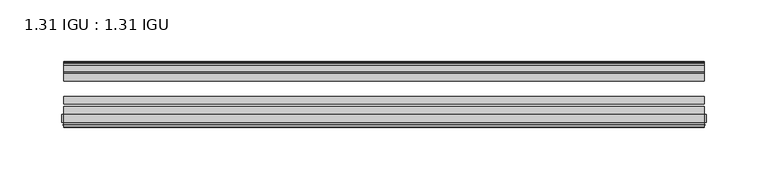
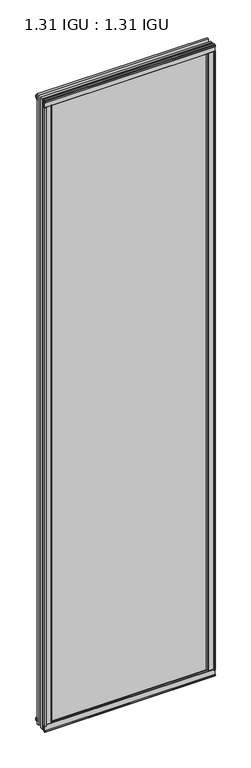
"""IFC4 building model written with IfcOpenShell, lengths in millimetres: plate geometry, 1.31 IGU : 1.31 IGU."""

import ifcopenshell
import ifcopenshell.guid

model = None  # the IFC model being written
_history = None  # IfcOwnerHistory: only IFC2X3 demands one
_inside = {}  # id of a spatial element -> (the spatial element, [elements in it])
_under = {}  # id of a project, library or spatial element -> (it, [spatial elements below it])
_declared = {}  # id of a project -> (the project, [libraries it declares])
_typed = {}  # id of a type object -> (the type object, [elements of that type])
_made_of = {}  # id of a material, layer set ... -> (it, [elements and type objects made of it])


def new_model(schema):
    """Start an empty IFC model of exactly this schema.

    Asked for "IFC4X3", IfcOpenShell would pick the latest addendum, in which some entities
    have other attributes; the version numbers below select the first issue.
    IFC2X3 requires an IfcOwnerHistory on every rooted entity: one is made here for all.
    """
    global model, _history
    if schema == "IFC4X3":
        model = ifcopenshell.file(schema_version=(4, 3, 0, 0))
    else:
        model = ifcopenshell.file(schema=schema)
    _inside.clear()
    _under.clear()
    _declared.clear()
    _typed.clear()
    _made_of.clear()
    _history = None
    if model.schema == "IFC2X3":
        org = make("IfcOrganization", Name="unknown")
        user = make(
            "IfcPersonAndOrganization",
            ThePerson=make("IfcPerson", FamilyName="unknown"),
            TheOrganization=org,
        )
        app = make(
            "IfcApplication",
            ApplicationDeveloper=org,
            Version="unknown",
            ApplicationFullName="unknown",
            ApplicationIdentifier="unknown",
        )
        _history = make(
            "IfcOwnerHistory",
            OwningUser=user,
            OwningApplication=app,
            ChangeAction="ADDED",
            CreationDate=0,
        )
    return model


def make(cls, **values):
    """One entity of the class cls with the attributes given. An attribute that is None is left unset."""
    return model.create_entity(
        cls, **{name: value for name, value in values.items() if value is not None}
    )


def rooted(cls, **values):
    """An entity with a GlobalId (a new one), such as an element, a storey or a relation."""
    return make(cls, GlobalId=ifcopenshell.guid.new(), OwnerHistory=_history, **values)


def si_unit(unit_type, name, prefix=None):
    """IfcSIUnit, for example si_unit("LENGTHUNIT", "METRE", prefix="MILLI")."""
    return make("IfcSIUnit", UnitType=unit_type, Prefix=prefix, Name=name)


def assignment(units):
    """IfcUnitAssignment: the units of a project."""
    return None if units is None else make("IfcUnitAssignment", Units=units)


def point(xyz):
    """IfcCartesianPoint."""
    return None if xyz is None else make("IfcCartesianPoint", Coordinates=xyz)


def direction(xyz):
    """IfcDirection."""
    return None if xyz is None else make("IfcDirection", DirectionRatios=xyz)


def frame(location, z_axis=None, x_axis=None):
    """IfcAxis2Placement3D, a coordinate frame: its origin and axes. An axis left out is left unset."""
    return make(
        "IfcAxis2Placement3D",
        Location=point(location),
        Axis=direction(z_axis),
        RefDirection=direction(x_axis),
    )


def frame_2d(location, x_axis=None):
    """IfcAxis2Placement2D, a coordinate frame in the plane: its origin and x axis."""
    return make(
        "IfcAxis2Placement2D", Location=point(location), RefDirection=direction(x_axis)
    )


def origin():
    """The frame at (0, 0, 0) with its axes left unset."""
    return frame((0.0, 0.0, 0.0))


def origin_with_axes():
    """The frame at (0, 0, 0) with the z axis (0, 0, 1) and the x axis (1, 0, 0) written out."""
    return frame((0.0, 0.0, 0.0), z_axis=(0.0, 0.0, 1.0), x_axis=(1.0, 0.0, 0.0))


def place(relative_to, where):
    """IfcLocalPlacement: puts the frame where relative to a parent placement (None: the world)."""
    return make(
        "IfcLocalPlacement", PlacementRelTo=relative_to, RelativePlacement=where
    )


def context(
    kind, dimensions, precision=None, world=None, true_north=None, identifier=None
):
    """IfcGeometricRepresentationContext, for example the 3D "Model" context."""
    return make(
        "IfcGeometricRepresentationContext",
        ContextIdentifier=identifier,
        ContextType=kind,
        CoordinateSpaceDimension=dimensions,
        Precision=precision,
        WorldCoordinateSystem=world,
        TrueNorth=true_north,
    )


def project(units=None, contexts=None):
    """IfcProject with its units and contexts."""
    return rooted(
        "IfcProject",
        Name="project",
        RepresentationContexts=contexts,
        UnitsInContext=assignment(units),
    )


def spatial(cls, under=None, at=None, **own):
    """A site, building, storey or space (cls), placed at a placement, below another one or the project."""
    s = rooted(cls, ObjectPlacement=at, **own)
    if under is not None:
        _under.setdefault(under.id(), (under, []))[1].append(s)
    return s


def polyline(points):
    """IfcPolyline through the points."""
    return make("IfcPolyline", Points=[point(p) for p in points])


def circle_curve(where, radius):
    """IfcCircle in the frame where."""
    return make("IfcCircle", Position=where, Radius=radius)


def trimmed(basis, trim1, trim2, sense, master):
    """IfcTrimmedCurve: the piece of a basis curve between two trims."""
    return make(
        "IfcTrimmedCurve",
        BasisCurve=basis,
        Trim1=trim1,
        Trim2=trim2,
        SenseAgreement=sense,
        MasterRepresentation=master,
    )


def segment(curve, same_sense, transition):
    """IfcCompositeCurveSegment."""
    return make(
        "IfcCompositeCurveSegment",
        Transition=transition,
        SameSense=same_sense,
        ParentCurve=curve,
    )


def composite_curve(segments, self_intersect=None):
    """IfcCompositeCurve: segments joined end to end."""
    return make("IfcCompositeCurve", Segments=segments, SelfIntersect=self_intersect)


def outline(outer, holes=None, kind="AREA"):
    """IfcArbitraryClosedProfileDef: a profile drawn as a closed curve; with holes, ...WithVoids."""
    if holes is None:
        return make("IfcArbitraryClosedProfileDef", ProfileType=kind, OuterCurve=outer)
    return make(
        "IfcArbitraryProfileDefWithVoids",
        ProfileType=kind,
        OuterCurve=outer,
        InnerCurves=holes,
    )


def extrude(swept, where, along, depth):
    """IfcExtrudedAreaSolid: the profile swept, set in the frame where, extruded along a direction by depth."""
    return make(
        "IfcExtrudedAreaSolid",
        SweptArea=swept,
        Position=where,
        ExtrudedDirection=direction(along),
        Depth=depth,
    )


def shape(context_of_items, identifier, shape_type, items):
    """IfcShapeRepresentation: the items that make up one representation, for example the "Body"."""
    return make(
        "IfcShapeRepresentation",
        ContextOfItems=context_of_items,
        RepresentationIdentifier=identifier,
        RepresentationType=shape_type,
        Items=items,
    )


def source(mapping_origin, context_of_items, identifier, shape_type, items):
    """IfcRepresentationMap: a shape defined once, which mapped items show again and again."""
    return make(
        "IfcRepresentationMap",
        MappingOrigin=mapping_origin,
        MappedRepresentation=shape(context_of_items, identifier, shape_type, items),
    )


def transform(
    local_origin,
    x_axis=None,
    y_axis=None,
    z_axis=None,
    scale=None,
    scale2=None,
    scale3=None,
    uniform=True,
):
    """IfcCartesianTransformationOperator3D, or its non-uniform kind. x_axis, y_axis, z_axis: its Axis1, 2, 3."""
    if uniform:
        return make(
            "IfcCartesianTransformationOperator3D",
            Axis1=direction(x_axis),
            Axis2=direction(y_axis),
            LocalOrigin=point(local_origin),
            Scale=scale,
            Axis3=direction(z_axis),
        )
    return make(
        "IfcCartesianTransformationOperator3DnonUniform",
        Axis1=direction(x_axis),
        Axis2=direction(y_axis),
        LocalOrigin=point(local_origin),
        Scale=scale,
        Axis3=direction(z_axis),
        Scale2=scale2,
        Scale3=scale3,
    )


def mapped(mapping_source, mapping_target):
    """IfcMappedItem: shows the shape of a source again, moved by a transform."""
    return make(
        "IfcMappedItem", MappingSource=mapping_source, MappingTarget=mapping_target
    )


def made_of(thing, what):
    """Note that an element or type object is made of a material, layer set ...; save() writes the relation."""
    if what is not None:
        _made_of.setdefault(what.id(), (what, []))[1].append(thing)
    return thing


def element(
    cls,
    number,
    at=None,
    inside=None,
    cuts=None,
    type_object=None,
    material=None,
    context=None,
    identifier="Body",
    shape_type=None,
    held_by="IfcProductDefinitionShape",
    body=None,
    shapes=None,
    **own,
):
    """One element of the class cls, such as IfcWall. Its Tag is "e" and its number.

    at: its placement. inside: the storey or other place that contains it. cuts: it is an
    opening in that element (IfcRelVoidsElement). A single representation is given by context,
    identifier, shape_type and body (its items); several are given by shapes. held_by: the class
    of the entity that holds the representations. save() writes the other relations.
    """
    e = rooted(cls, Tag="e%d" % number, ObjectPlacement=at, **own)
    if body is not None:
        shapes = [shape(context, identifier, shape_type, body)]
    if shapes is not None:
        e.Representation = make(held_by, Representations=shapes)
    if inside is not None:
        _inside.setdefault(inside.id(), (inside, []))[1].append(e)
    if cuts is not None:
        rooted(
            "IfcRelVoidsElement", RelatingBuildingElement=cuts, RelatedOpeningElement=e
        )
    if type_object is not None:
        _typed.setdefault(type_object.id(), (type_object, []))[1].append(e)
    return made_of(e, material)


def aggregate(whole, parts):
    """IfcRelAggregates: a whole, such as a stair, and the parts it consists of."""
    return rooted("IfcRelAggregates", RelatingObject=whole, RelatedObjects=parts)


def save(model, path):
    """Write the relations noted so far, then the file.

    IfcRelAggregates (storeys below a building ...), IfcRelContainedInSpatialStructure (elements
    in a storey), IfcRelDefinesByType, IfcRelAssociatesMaterial and IfcRelDeclares: one each for
    every whole, place, type object, material and project.
    """
    for whole, parts in _under.values():
        aggregate(whole, parts)
    for where, things in _inside.values():
        rooted(
            "IfcRelContainedInSpatialStructure",
            RelatedElements=things,
            RelatingStructure=where,
        )
    for kind, things in _typed.values():
        rooted("IfcRelDefinesByType", RelatedObjects=things, RelatingType=kind)
    for what, things in _made_of.values():
        rooted("IfcRelAssociatesMaterial", RelatedObjects=things, RelatingMaterial=what)
    for by, libraries in _declared.values():
        rooted("IfcRelDeclares", RelatingContext=by, RelatedDefinitions=libraries)
    model.write(path)


def plate_1_31_igu_1_31_igu_8b938880(model_context):
    return source(origin(), model_context, "Body", "SweptSolid", [
        extrude(outline(polyline([(247.1273568, -11.1943457), (245.7253235, -11.5700195), (245.4952333, -10.7113114), (247.9082333, -10.06475), (250.3212333, -10.7113114), (250.0911432, -11.5700195), (248.6891098, -11.1943457), (249.3052333, -13.49375), (252.9838074, -13.49375), (252.9838074, -18.1284104), (251.5551628, -19.84375), (239.8424921, -19.84375), (241.5582333, -13.49375), (246.5112333, -13.49375), (247.1273568, -11.1943457)])), origin_with_axes(), (0.0, 0.0, 1.0), 1993.9),
        extrude(outline(polyline([(-247.1273568, -11.1943457), (-246.5112333, -13.49375), (-241.5582333, -13.49375), (-239.8424921, -19.84375), (-251.5551628, -19.84375), (-252.9838074, -18.1284104), (-252.9838074, -13.49375), (-249.3052333, -13.49375), (-248.6891098, -11.1943457), (-250.0911432, -11.5700195), (-250.3212333, -10.7113114), (-247.9082333, -10.06475), (-245.4952333, -10.7113114), (-245.7253235, -11.5700195), (-247.1273568, -11.1943457)])), origin_with_axes(), (0.0, 0.0, 1.0), 1993.9),
        extrude(outline(polyline([(-13.49375, -5.7276998), (-11.1943457, -6.3438233), (-11.5700195, -4.9417899), (-10.7113114, -4.7116998), (-10.06475, -7.1246998), (-10.7113114, -9.5376998), (-11.5700195, -9.3076097), (-11.1943457, -7.9055763), (-13.49375, -8.5216998), (-13.49375, -12.2002739), (-18.1284104, -12.2002739), (-19.84375, -10.7716292), (-19.84375, 0.9410414), (-13.49375, -0.7746998), (-13.49375, -5.7276998)])), frame((-259.8208333, 0.0, 0.0), z_axis=(1.0, 0.0, 0.0), x_axis=(0.0, 1.0, 0.0)), (0.0, 0.0, 1.0), 519.6416667),
        extrude(outline(composite_curve([segment(polyline([(-55.9719113, 2.457708), (-53.16855, 3.0868452), (-53.16855, -20.9097918), (-59.51855, -20.9097918), (-59.51855, -18.6868471), (-62.0391488, -18.0752025), (-61.5965021, -19.0933159), (-61.5965021, -19.98942), (-63.2729251, -17.4063265), (-61.3290281, -15.2058028), (-61.3290281, -16.0360741), (-61.9417436, -16.9618553), (-59.51855, -16.8077164), (-59.51855, 0.6826418)]), True, "CONTINUOUS"), segment(trimmed(circle_curve(frame_2d((-58.24855, 0.6826418)), 1.27), [point((-59.51855, 0.6826418))], [point((-58.6007815, 1.9028193))], False, "CARTESIAN"), True, "CONTINUOUS"), segment(polyline([(-58.6007815, 1.9028193), (-55.9719113, 2.457708)]), True, "CONTINUOUS")], self_intersect=False)), frame((-259.8208333, 0.0, 0.0), z_axis=(1.0, 0.0, 0.0), x_axis=(0.0, 1.0, 0.0)), (0.0, 0.0, 1.0), 519.6416667),
        extrude(outline(polyline([(-13.49375, 1999.6276998), (-13.49375, 1994.6746998), (-19.84375, 1992.9589586), (-19.84375, 2004.6716292), (-18.1284104, 2006.1002739), (-13.49375, 2006.1002739), (-13.49375, 2002.4216998), (-11.1943457, 2001.8055763), (-11.5700195, 2003.2076097), (-10.7113114, 2003.4376998), (-10.06475, 2001.0246998), (-10.7113114, 1998.6116998), (-11.5700195, 1998.8417899), (-11.1943457, 2000.2438233), (-13.49375, 1999.6276998)])), frame((-259.8208333, 0.0, 0.0), z_axis=(1.0, 0.0, 0.0), x_axis=(0.0, 1.0, 0.0)), (0.0, 0.0, 1.0), 519.6416667),
        extrude(outline(composite_curve([segment(polyline([(-55.9719113, 1991.442292), (-58.6007815, 1991.9971807)]), True, "CONTINUOUS"), segment(trimmed(circle_curve(frame_2d((-58.24855, 1993.2173582)), 1.27), [point((-58.6007815, 1991.9971807))], [point((-59.51855, 1993.2173582))], False, "CARTESIAN"), True, "CONTINUOUS"), segment(polyline([(-59.51855, 1993.2173582), (-59.51855, 2010.7077164), (-61.9417436, 2010.8618553), (-61.3290281, 2009.9360741), (-61.3290281, 2009.1058028), (-63.2729251, 2011.3063265), (-61.5965021, 2013.88942), (-61.5965021, 2012.9933159), (-62.0391488, 2011.9752025), (-59.51855, 2012.5868471), (-59.51855, 2014.8097918), (-53.16855, 2014.8097918), (-53.16855, 1990.8131548), (-55.9719113, 1991.442292)]), True, "CONTINUOUS")], self_intersect=False)), frame((-259.8208333, 0.0, 0.0), z_axis=(1.0, 0.0, 0.0), x_axis=(0.0, 1.0, 0.0)), (0.0, 0.0, 1.0), 519.6416667),
        extrude(outline(composite_curve([segment(polyline([(-258.18986, -63.2729251), (-260.7729535, -61.5965021), (-259.8768494, -61.5965021), (-258.858736, -62.0391488), (-259.4703806, -59.51855), (-261.6933253, -59.51855), (-261.6933253, -53.16855), (-237.6966884, -53.16855), (-238.3258256, -55.9719113), (-238.8807143, -58.6007815)]), True, "CONTINUOUS"), segment(trimmed(circle_curve(frame_2d((-240.1008917, -58.24855)), 1.27), [point((-238.8807143, -58.6007815))], [point((-240.1008917, -59.51855))], False, "CARTESIAN"), True, "CONTINUOUS"), segment(polyline([(-240.1008917, -59.51855), (-257.59125, -59.51855), (-257.7453888, -61.9417436), (-256.8196076, -61.3290281), (-256.0080796, -61.3290281), (-258.18986, -63.2729251)]), True, "CONTINUOUS")], self_intersect=False)), origin_with_axes(), (0.0, 0.0, 1.0), 1993.9),
        extrude(outline(composite_curve([segment(polyline([(258.18986, -63.2729251), (256.0080796, -61.3290281), (256.8196076, -61.3290281), (257.7453888, -61.9417436), (257.59125, -59.51855), (240.1008917, -59.51855)]), True, "CONTINUOUS"), segment(trimmed(circle_curve(frame_2d((240.1008917, -58.24855)), 1.27), [point((240.1008917, -59.51855))], [point((238.8807143, -58.6007815))], False, "CARTESIAN"), True, "CONTINUOUS"), segment(polyline([(238.8807143, -58.6007815), (238.3258256, -55.9719113), (237.6966884, -53.16855), (261.6933253, -53.16855), (261.6933253, -59.51855), (259.4703806, -59.51855), (258.858736, -62.0391488), (259.8768494, -61.5965021), (260.7729535, -61.5965021), (258.18986, -63.2729251)]), True, "CONTINUOUS")], self_intersect=False)), origin_with_axes(), (0.0, 0.0, 1.0), 1993.9),
        extrude(outline(polyline([(259.8208333, -19.84375), (259.8208333, -26.14295), (-259.8208333, -26.14295), (-259.8208333, -19.84375), (259.8208333, -19.84375)])), frame((0.0, 0.0, -19.05), z_axis=(0.0, 0.0, 1.0), x_axis=(1.0, 0.0, 0.0)), (0.0, 0.0, 1.0), 2032.0),
        extrude(outline(polyline([(-259.8208333, -44.83735), (-259.8208333, -38.53815), (259.8208333, -38.53815), (259.8208333, -44.83735), (-259.8208333, -44.83735)])), frame((0.0, 0.0, -19.05), z_axis=(0.0, 0.0, 1.0), x_axis=(1.0, 0.0, 0.0)), (0.0, 0.0, 1.0), 2032.0),
        extrude(outline(polyline([(-259.8208333, -53.16855), (-259.8208333, -46.86935), (259.8208333, -46.86935), (259.8208333, -53.16855), (-259.8208333, -53.16855)])), frame((0.0, 0.0, -19.05), z_axis=(0.0, 0.0, 1.0), x_axis=(1.0, 0.0, 0.0)), (0.0, 0.0, 1.0), 2032.0),
    ])


if __name__ == "__main__":
    model = new_model("IFC4")
    model_context = context("Model", 3, world=origin())
    ifc_project = project(units=[si_unit("LENGTHUNIT", "METRE", prefix="MILLI")], contexts=[model_context])
    site = spatial("IfcSite", under=ifc_project)
    building = spatial("IfcBuilding", under=site)
    placement = place(None, origin())
    plate_1_31_igu_1_31_igu_shape = plate_1_31_igu_1_31_igu_8b938880(model_context)
    element("IfcPlate", 1, ObjectType="1.31 IGU : 1.31 IGU", at=placement, inside=building, context=model_context, shape_type="MappedRepresentation", body=[
        mapped(plate_1_31_igu_1_31_igu_shape, transform((0.0, 0.0, 0.0), x_axis=(1.0, 0.0, 0.0), y_axis=(0.0, 1.0, 0.0), z_axis=(0.0, 0.0, 1.0))),
    ])
    save(model, "model.ifc")
